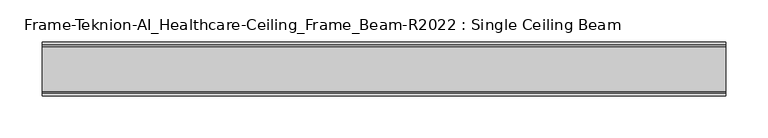
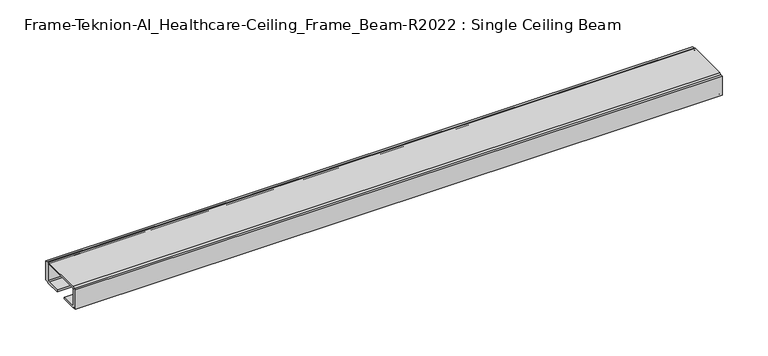
"""IFC4 building model written with IfcOpenShell, lengths in millimetres: furniture geometry, Frame-Teknion-AI_Healthcare-Ceiling_Frame_Beam-R2022 : Single Ceiling Beam."""

from ifc_helpers import new_model, si_unit, point, frame, frame_2d, origin, place, context, project, spatial, polyline, circle_curve, trimmed, segment, composite_curve, outline, extrude, source, transform, mapped, element, save


def frame_teknion_ai_healthcare_ceiling_frame_beam_r2022_single_2938a61d(model_context):
    return source(origin(), model_context, "Body", "SweptSolid", [
        extrude(outline(composite_curve([segment(polyline([(-32.174996, 1573.5046), (-32.174996, 1598.9045998), (-28.999999, 1598.9045998), (-28.999999, 1597.787)]), True, "CONTINUOUS"), segment(trimmed(circle_curve(frame_2d((-26.5869991, 1597.787)), 2.413), [point((-28.999999, 1597.787))], [point((-26.5869991, 1600.2))], False, "CARTESIAN"), True, "CONTINUOUS"), segment(polyline([(-26.5869991, 1600.2), (26.5869991, 1600.2)]), True, "CONTINUOUS"), segment(trimmed(circle_curve(frame_2d((26.5869991, 1597.787)), 2.413), [point((26.5869991, 1600.2))], [point((28.999999, 1597.787))], False, "CARTESIAN"), True, "CONTINUOUS"), segment(polyline([(28.999999, 1597.787), (28.999999, 1598.9045998), (32.174996, 1598.9045998), (32.174996, 1573.5046), (28.999999, 1573.5046), (28.999999, 1574.6129989)]), True, "CONTINUOUS"), segment(trimmed(circle_curve(frame_2d((26.5869991, 1574.6129989)), 2.413), [point((28.999999, 1574.6129989))], [point((26.5869991, 1572.199999))], False, "CARTESIAN"), True, "CONTINUOUS"), segment(polyline([(26.5869991, 1572.199999), (7.9374947, 1572.199999), (7.9374947, 1574.4859991), (25.4440002, 1574.4859991)]), True, "CONTINUOUS"), segment(trimmed(circle_curve(frame_2d((25.4440002, 1576.0099999)), 1.5240008), [point((25.4440002, 1574.4859991))], [point((26.968001, 1576.0099999))], True, "CARTESIAN"), True, "CONTINUOUS"), segment(polyline([(26.968001, 1576.0099999), (26.968001, 1597.1520009)]), True, "CONTINUOUS"), segment(trimmed(circle_curve(frame_2d((25.9520019, 1597.1520009)), 1.015999), [point((26.968001, 1597.1520009))], [point((25.9520019, 1598.168))], True, "CARTESIAN"), True, "CONTINUOUS"), segment(polyline([(25.9520019, 1598.168), (-25.9520019, 1598.168)]), True, "CONTINUOUS"), segment(trimmed(circle_curve(frame_2d((-25.9520019, 1597.1520009)), 1.015999), [point((-25.9520019, 1598.168))], [point((-26.968001, 1597.1520009))], True, "CARTESIAN"), True, "CONTINUOUS"), segment(polyline([(-26.968001, 1597.1520009), (-26.968001, 1576.0099999)]), True, "CONTINUOUS"), segment(trimmed(circle_curve(frame_2d((-25.4440002, 1576.0099999)), 1.5240008), [point((-26.968001, 1576.0099999))], [point((-25.4440002, 1574.4859991))], True, "CARTESIAN"), True, "CONTINUOUS"), segment(polyline([(-25.4440002, 1574.4859991), (-7.9374947, 1574.4859991), (-7.9374947, 1572.199999), (-26.5869991, 1572.199999)]), True, "CONTINUOUS"), segment(trimmed(circle_curve(frame_2d((-26.5869991, 1574.6129989)), 2.413), [point((-26.5869991, 1572.199999))], [point((-28.999999, 1574.6129989))], False, "CARTESIAN"), True, "CONTINUOUS"), segment(polyline([(-28.999999, 1574.6129989), (-28.999999, 1573.5046), (-32.174996, 1573.5046)]), True, "CONTINUOUS")], self_intersect=False)), frame((-406.3582328, 0.0, 0.0), z_axis=(1.0, 0.0, 0.0), x_axis=(0.0, 1.0, 0.0)), (0.0, 0.0, 1.0), 812.7164656),
    ])


if __name__ == "__main__":
    model = new_model("IFC4")
    model_context = context("Model", 3, world=origin())
    ifc_project = project(units=[si_unit("LENGTHUNIT", "METRE", prefix="MILLI")], contexts=[model_context])
    site = spatial("IfcSite", under=ifc_project)
    building = spatial("IfcBuilding", under=site)
    placement = place(None, origin())
    frame_teknion_ai_healthcare_ceiling_frame_beam_r2022_single_shape = frame_teknion_ai_healthcare_ceiling_frame_beam_r2022_single_2938a61d(model_context)
    element("IfcFurniture", 1, ObjectType="Frame-Teknion-AI_Healthcare-Ceiling_Frame_Beam-R2022 : Single Ceiling Beam", at=placement, inside=building, context=model_context, shape_type="MappedRepresentation", body=[
        mapped(frame_teknion_ai_healthcare_ceiling_frame_beam_r2022_single_shape, transform((0.0, 0.0, 0.0), x_axis=(1.0, 0.0, 0.0), y_axis=(0.0, 1.0, 0.0), z_axis=(0.0, 0.0, 1.0))),
    ])
    save(model, "model.ifc")
